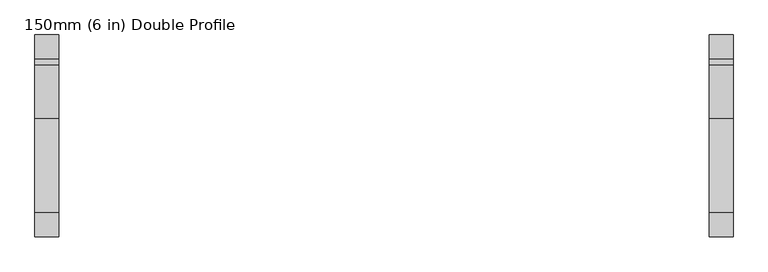
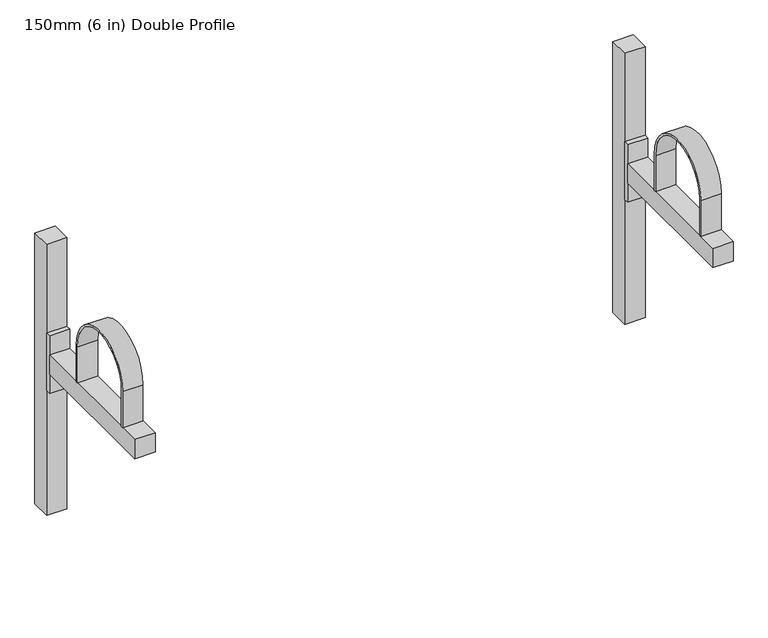
"""IFC4 building model written with IfcOpenShell, lengths in millimetres: proxy geometry, 150mm (6 in) Double Profile."""

from ifc_helpers import new_model, si_unit, point, frame, frame_2d, origin, origin_with_axes, place, context, project, spatial, polyline, circle_curve, trimmed, segment, composite_curve, outline, extrude, source, transform, mapped, element, save


def proxy_150mm_6_in_double_profile_443abe16(model_context):
    return source(origin(), model_context, "Body", "SweptSolid", [
        extrude(outline(composite_curve([segment(polyline([(-295.0, 415.0), (-295.0, 340.0), (-299.0, 340.0), (-299.0, 415.0)]), True, "CONTINUOUS"), segment(trimmed(circle_curve(frame_2d((-220.0, 415.0)), 79.0), [point((-299.0, 415.0))], [point((-141.0, 415.0))], False, "CARTESIAN"), True, "CONTINUOUS"), segment(polyline([(-141.0, 415.0), (-141.0, 340.0), (-145.0, 340.0), (-145.0, 415.0)]), True, "CONTINUOUS"), segment(trimmed(circle_curve(frame_2d((-220.0, 415.0)), 75.0), [point((-145.0, 415.0))], [point((-295.0, 415.0))], True, "CARTESIAN"), True, "CONTINUOUS")], self_intersect=False)), frame((1117.1155044, 0.0, 0.0), z_axis=(1.0, 0.0, 0.0), x_axis=(0.0, 1.0, 0.0)), (0.0, 0.0, 1.0), 40.0),
        extrude(outline(polyline([(1157.1155044, -50.0), (1157.1155044, -340.0), (1117.1155044, -340.0), (1117.1155044, -50.0), (1157.1155044, -50.0)])), frame((0.0, 0.0, 300.0), z_axis=(0.0, 0.0, 1.0), x_axis=(1.0, 0.0, 0.0)), (0.0, 0.0, 1.0), 40.0),
        extrude(outline(polyline([(1157.1155044, -40.0), (1157.1155044, -50.0), (1117.1155044, -50.0), (1117.1155044, -40.0), (1157.1155044, -40.0)])), frame((0.0, 0.0, 260.0), z_axis=(0.0, 0.0, 1.0), x_axis=(1.0, 0.0, 0.0)), (0.0, 0.0, 1.0), 120.0),
        extrude(outline(polyline([(1157.1155044, 0.0), (1157.1155044, -40.0), (1117.1155044, -40.0), (1117.1155044, 0.0), (1157.1155044, 0.0)])), origin_with_axes(), (0.0, 0.0, 1.0), 564.1051687),
        extrude(outline(composite_curve([segment(polyline([(-295.0, 415.0), (-295.0, 340.0), (-299.0, 340.0), (-299.0, 415.0)]), True, "CONTINUOUS"), segment(trimmed(circle_curve(frame_2d((-220.0, 415.0)), 79.0), [point((-299.0, 415.0))], [point((-141.0, 415.0))], False, "CARTESIAN"), True, "CONTINUOUS"), segment(polyline([(-141.0, 415.0), (-141.0, 340.0), (-145.0, 340.0), (-145.0, 415.0)]), True, "CONTINUOUS"), segment(trimmed(circle_curve(frame_2d((-220.0, 415.0)), 75.0), [point((-145.0, 415.0))], [point((-295.0, 415.0))], True, "CARTESIAN"), True, "CONTINUOUS")], self_intersect=False)), frame((-20.0, 0.0, 0.0), z_axis=(1.0, 0.0, 0.0), x_axis=(0.0, 1.0, 0.0)), (0.0, 0.0, 1.0), 40.0),
        extrude(outline(polyline([(20.0, -50.0), (20.0, -340.0), (-20.0, -340.0), (-20.0, -50.0), (20.0, -50.0)])), frame((0.0, 0.0, 300.0), z_axis=(0.0, 0.0, 1.0), x_axis=(1.0, 0.0, 0.0)), (0.0, 0.0, 1.0), 40.0),
        extrude(outline(polyline([(20.0, -40.0), (20.0, -50.0), (-20.0, -50.0), (-20.0, -40.0), (20.0, -40.0)])), frame((0.0, 0.0, 260.0), z_axis=(0.0, 0.0, 1.0), x_axis=(1.0, 0.0, 0.0)), (0.0, 0.0, 1.0), 120.0),
        extrude(outline(polyline([(20.0, 0.0), (20.0, -40.0), (-20.0, -40.0), (-20.0, 0.0), (20.0, 0.0)])), origin_with_axes(), (0.0, 0.0, 1.0), 564.1051687),
    ])


if __name__ == "__main__":
    model = new_model("IFC4")
    model_context = context("Model", 3, world=origin())
    ifc_project = project(units=[si_unit("LENGTHUNIT", "METRE", prefix="MILLI")], contexts=[model_context])
    site = spatial("IfcSite", under=ifc_project)
    building = spatial("IfcBuilding", under=site)
    placement = place(None, origin())
    proxy_150mm_6_in_double_profile_shape = proxy_150mm_6_in_double_profile_443abe16(model_context)
    element("IfcBuildingElementProxy", 1, Name="150mm (6 in) Double Profile", ObjectType="150mm (6 in) Double Profile", at=placement, inside=building, context=model_context, shape_type="MappedRepresentation", body=[
        mapped(proxy_150mm_6_in_double_profile_shape, transform((0.0, 0.0, 0.0), x_axis=(1.0, 0.0, 0.0), y_axis=(0.0, 1.0, 0.0), z_axis=(0.0, 0.0, 1.0))),
    ])
    save(model, "model.ifc")
